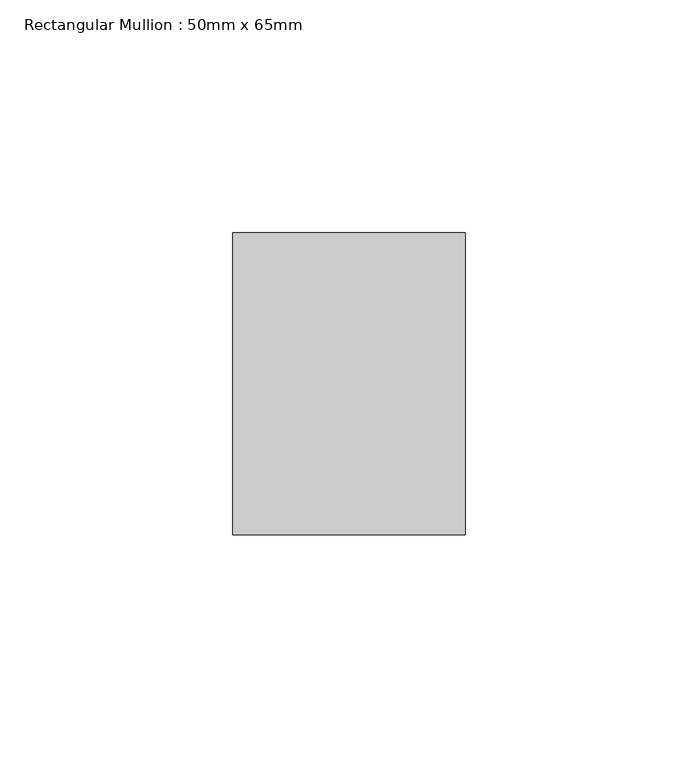
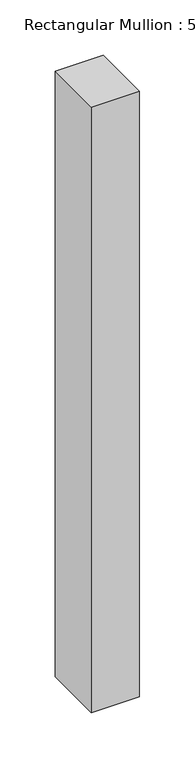
"""IFC4 building model written with IfcOpenShell, lengths in millimetres: member geometry, Rectangular Mullion : 50mm x 65mm."""

from ifc_helpers import new_model, si_unit, frame, origin, place, context, project, spatial, polyline, outline, extrude, source, transform, mapped, element, save


def rectangular_mullion_50mm_x_65mm_0c08f4bb(model_context):
    return source(origin(), model_context, "Body", "SweptSolid", [
        extrude(outline(polyline([(25.0, 32.5), (25.0, -32.5), (-25.0, -32.5), (-25.0, 32.5), (25.0, 32.5)])), frame((0.0, 0.0, -667.5404098), z_axis=(0.0, 0.0, 1.0), x_axis=(1.0, 0.0, 0.0)), (0.0, 0.0, 1.0), 667.5404098),
    ])


if __name__ == "__main__":
    model = new_model("IFC4")
    model_context = context("Model", 3, world=origin())
    ifc_project = project(units=[si_unit("LENGTHUNIT", "METRE", prefix="MILLI")], contexts=[model_context])
    site = spatial("IfcSite", under=ifc_project)
    building = spatial("IfcBuilding", under=site)
    placement = place(None, origin())
    rectangular_mullion_50mm_x_65mm_shape = rectangular_mullion_50mm_x_65mm_0c08f4bb(model_context)
    element("IfcMember", 1, ObjectType="Rectangular Mullion : 50mm x 65mm", at=placement, inside=building, context=model_context, shape_type="MappedRepresentation", body=[
        mapped(rectangular_mullion_50mm_x_65mm_shape, transform((0.0, 0.0, 0.0), x_axis=(1.0, 0.0, 0.0), y_axis=(0.0, 1.0, 0.0), z_axis=(0.0, 0.0, 1.0))),
    ])
    save(model, "model.ifc")
